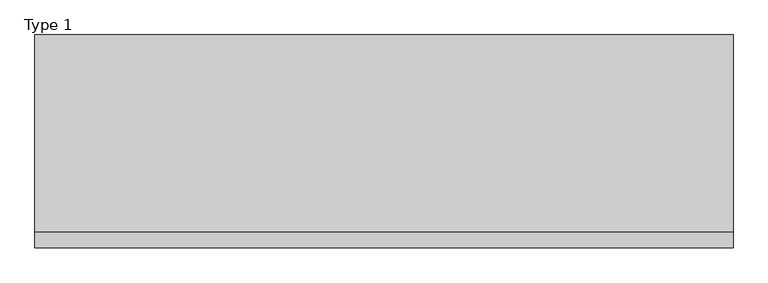
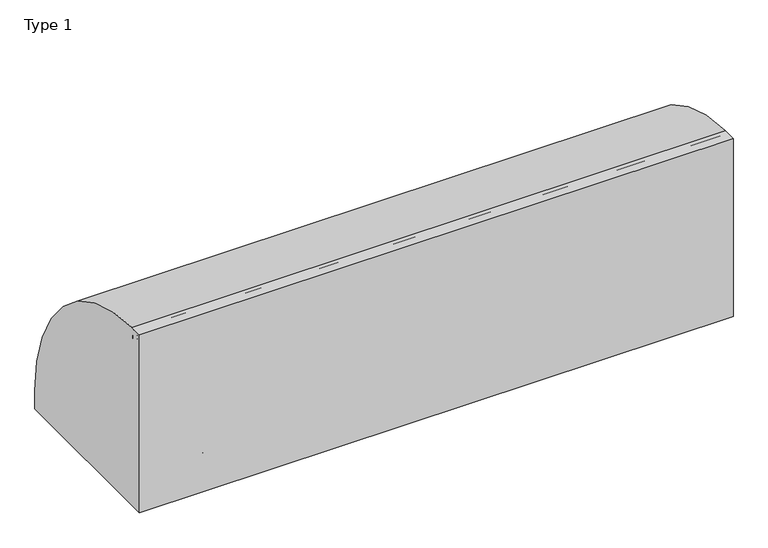
"""IFC4 building model written with IfcOpenShell, lengths in millimetres: railing geometry, Type 1."""

from ifc_helpers import new_model, si_unit, point, frame, frame_2d, origin, origin_with_axes, place, context, project, spatial, polyline, circle_curve, trimmed, segment, composite_curve, outline, extrude, source, transform, mapped, element, save
from ifc_brep_helpers import plane_surface, cylinder_surface, revolved_surface, advanced_brep


def type_1_b100555a(model_context):
    return source(origin(), model_context, "Body", "SolidModel", [
        extrude(outline(composite_curve([segment(polyline([(-209.2, 1050.0), (-132.6546144, 1050.0)]), True, "CONTINUOUS"), segment(trimmed(circle_curve(frame_2d((-139.8273072, 108.0)), 942.0273072), [point((-132.6546144, 1050.0))], [point((802.2, 108.0))], False, "CARTESIAN"), True, "CONTINUOUS"), segment(polyline([(802.2, 108.0), (802.2, 0.0), (-209.2, 0.0), (-209.2, 1050.0)]), True, "CONTINUOUS")], self_intersect=False)), frame((-415.0, 0.0, 0.0), z_axis=(1.0, 0.0, 0.0), x_axis=(0.0, 1.0, 0.0)), (0.0, 0.0, 1.0), 3315.0),
        extrude(outline(composite_curve([segment(trimmed(circle_curve(frame_2d((-131.287505, 538.0)), 20.0), [point((-112.7, 530.617273))], [point((-147.0, 525.6259343))], False, "CARTESIAN"), True, "CONTINUOUS"), segment(polyline([(-147.0, 525.6259343), (-147.0, 550.3740657)]), True, "CONTINUOUS"), segment(trimmed(circle_curve(frame_2d((-131.287505, 538.0)), 20.0), [point((-147.0, 550.3740657))], [point((-112.7, 545.382727))], False, "CARTESIAN"), True, "CONTINUOUS"), segment(polyline([(-112.7, 545.382727), (-116.7, 545.382727), (-116.7, 530.617273), (-112.7, 530.617273)]), True, "CONTINUOUS")], self_intersect=False)), frame((-394.0, 0.0, 0.0), z_axis=(1.0, 0.0, 0.0), x_axis=(0.0, 1.0, 0.0)), (0.0, 0.0, 1.0), 3254.0),
        extrude(outline(composite_curve([segment(trimmed(circle_curve(frame_2d((-166.0, 1025.0)), 25.0), [point((-187.0, 1011.43534))], [point((-145.0, 1011.43534))], False, "CARTESIAN"), True, "CONTINUOUS"), segment(polyline([(-145.0, 1011.43534), (-145.0, 993.0), (-146.0, 993.0), (-146.0, 1008.0), (-186.0, 1008.0), (-186.0, 993.0), (-187.0, 993.0), (-187.0, 1011.43534)]), True, "CONTINUOUS")], self_intersect=False)), frame((-415.0, 0.0, 0.0), z_axis=(1.0, 0.0, 0.0), x_axis=(0.0, 1.0, 0.0)), (0.0, 0.0, 1.0), 3315.0),
        extrude(outline(polyline([(1170.0, -185.0), (1170.0, 0.0), (1215.0, 0.0), (1215.0, -185.0), (1170.0, -185.0)])), origin_with_axes(), (0.0, 0.0, 1.0), 2.5),
        extrude(outline(composite_curve([segment(polyline([(-185.0, 185.0), (-154.0180942, 185.0)]), True, "CONTINUOUS"), segment(trimmed(circle_curve(frame_2d((-154.0180942, 112.1212122)), 72.8787879), [point((-154.0180942, 185.0))], [point((-102.485009, 163.6542973))], False, "CARTESIAN"), True, "CONTINUOUS"), segment(polyline([(-102.485009, 163.6542973), (-4.3933983, 65.5626865)]), True, "CONTINUOUS"), segment(trimmed(circle_curve(frame_2d((-15.0, 54.9560848)), 15.0), [point((-4.3933983, 65.5626865))], [point((0.0, 54.9560848))], False, "CARTESIAN"), True, "CONTINUOUS"), segment(polyline([(0.0, 54.9560848), (0.0, 0.0), (-185.0, 0.0), (-185.0, 185.0)]), True, "CONTINUOUS")], self_intersect=False), holes=[composite_curve([segment(trimmed(circle_curve(frame_2d((-92.5196719, 93.0361975)), 5.6060606), [point((-98.1257325, 93.0361975))], [point((-86.9136113, 93.0361975))], True, "CARTESIAN"), True, "CONTINUOUS"), segment(trimmed(circle_curve(frame_2d((-165.5151515, 93.0361975)), 78.6015402), [point((-86.9136113, 93.0361975))], [point((-165.5151515, 171.6377377))], True, "CARTESIAN"), True, "CONTINUOUS"), segment(trimmed(circle_curve(frame_2d((-165.5151515, 166.0316771)), 5.6060606), [point((-165.5151515, 171.6377377))], [point((-171.1212121, 166.0316771))], True, "CARTESIAN"), True, "CONTINUOUS"), segment(polyline([(-171.1212121, 166.0316771), (-171.1212121, 143.5676849)]), True, "CONTINUOUS"), segment(trimmed(circle_curve(frame_2d((-165.5151515, 143.5676849)), 5.6060606), [point((-171.1212121, 143.5676849))], [point((-159.9090909, 143.5676849))], True, "CARTESIAN"), True, "CONTINUOUS"), segment(polyline([(-159.9090909, 143.5676849), (-159.9090909, 157.7293747)]), True, "CONTINUOUS"), segment(trimmed(circle_curve(frame_2d((-157.6849895, 157.7293747)), 2.2241014), [point((-159.9090909, 157.7293747))], [point((-157.417745, 159.9373619))], False, "CARTESIAN"), True, "CONTINUOUS"), segment(trimmed(circle_curve(frame_2d((-165.5151515, 93.0361975)), 67.389419), [point((-157.417745, 159.9373619))], [point((-98.1257325, 93.0361975))], False, "CARTESIAN"), True, "CONTINUOUS")], self_intersect=False)]), frame((1215.0, 0.0, 0.0), z_axis=(1.0, 0.0, 0.0), x_axis=(0.0, 1.0, 0.0)), (0.0, 0.0, 1.0), 3.0),
        advanced_brep(
        [(1282.0, -185.0, 185.0), (1282.0, -154.0180942, 185.0), (1282.0, -102.485009, 163.6542973), (1282.0, -4.3933983, 65.5626865), (1282.0, 0.0, 54.9560848), (1282.0, 0.0, 0.0), (1282.0, -185.0, 0.0), (1282.0, -185.0, 100.9768515), (1282.0, -98.1257325, 93.0361975), (1282.0, -86.9136113, 93.0361975), (1282.0, -165.5151515, 171.6377377), (1282.0, -171.1212121, 166.0316771), (1282.0, -171.1212121, 143.5676849), (1282.0, -159.9090909, 143.5676849), (1282.0, -159.9090909, 157.7293747), (1282.0, -157.417745, 159.9373619), (1285.0, 0.0, 54.9560848), (1285.0, -4.3933983, 65.5626865), (1285.0, -102.485009, 163.6542973), (1285.0, -154.0180942, 185.0), (1285.0, -188.0, 185.0), (1285.0, -188.0, 100.9768515), (1285.0, -185.0, 100.9768515), (1285.0, -185.0, 2.5), (1285.0, 0.0, 2.5), (1285.0, -98.1257325, 93.0361975), (1285.0, -157.417745, 159.9373619), (1285.0, -159.9090909, 157.7293747), (1285.0, -159.9090909, 143.5676849), (1285.0, -171.1212121, 143.5676849), (1285.0, -171.1212121, 166.0316771), (1285.0, -165.5151515, 171.6377377), (1285.0, -86.9136113, 93.0361975), (1215.0, -185.0, 185.0), (1215.0, -188.0, 185.0), (1330.0, 0.0, 2.5), (1330.0, 0.0, 0.0), (1330.0, -185.0, 0.0), (1330.0, -185.0, 2.5), (1215.0, -188.0, 100.9768515), (1215.0, -185.0, 100.9768515)],
        [
            (0, 1),
            (1, 2, circle_curve(frame((1282.0, -154.0180942, 112.1212122), z_axis=(-1.0, 0.0, 0.0), x_axis=(0.0, -1.0, 0.0)), 72.8787879)),
            (2, 3),
            (3, 4, circle_curve(frame((1282.0, -15.0, 54.9560848), z_axis=(-1.0, 0.0, 0.0), x_axis=(0.0, -1.0, 0.0)), 15.0)),
            (4, 5),
            (5, 6),
            (6, 7),
            (7, 0),
            (8, 9, circle_curve(frame((1282.0, -92.5196719, 93.0361975), z_axis=(1.0, 0.0, 0.0), x_axis=(0.0, -1.0, 0.0)), 5.6060606)),
            (9, 10, circle_curve(frame((1282.0, -165.5151515, 93.0361975), z_axis=(1.0, 0.0, 0.0), x_axis=(0.0, -1.0, 0.0)), 78.6015402)),
            (10, 11, circle_curve(frame((1282.0, -165.5151515, 166.0316771), z_axis=(1.0, 0.0, 0.0), x_axis=(0.0, -1.0, 0.0)), 5.6060606)),
            (11, 12),
            (12, 13, circle_curve(frame((1282.0, -165.5151515, 143.5676849), z_axis=(1.0, 0.0, 0.0), x_axis=(0.0, -1.0, 0.0)), 5.6060606)),
            (13, 14),
            (14, 15, circle_curve(frame((1282.0, -157.6849895, 157.7293747), z_axis=(-1.0, 0.0, 0.0), x_axis=(0.0, -1.0, 0.0)), 2.2241014)),
            (15, 8, circle_curve(frame((1282.0, -165.5151515, 93.0361975), z_axis=(-1.0, 0.0, 0.0), x_axis=(0.0, -1.0, 0.0)), 67.389419)),
            (16, 17, circle_curve(frame((1285.0, -15.0, 54.9560848), z_axis=(1.0, 0.0, 0.0), x_axis=(0.0, -1.0, 0.0)), 15.0)),
            (17, 18),
            (18, 19, circle_curve(frame((1285.0, -154.0180942, 112.1212122), z_axis=(1.0, 0.0, 0.0), x_axis=(0.0, -1.0, 0.0)), 72.8787879)),
            (19, 20),
            (20, 21),
            (21, 22),
            (22, 23),
            (23, 24),
            (24, 16),
            (25, 26, circle_curve(frame((1285.0, -165.5151515, 93.0361975), z_axis=(1.0, 0.0, 0.0), x_axis=(0.0, -1.0, 0.0)), 67.389419)),
            (26, 27, circle_curve(frame((1285.0, -157.6849895, 157.7293747), z_axis=(1.0, 0.0, 0.0), x_axis=(0.0, -1.0, 0.0)), 2.2241014)),
            (27, 28),
            (28, 29, circle_curve(frame((1285.0, -165.5151515, 143.5676849), z_axis=(-1.0, 0.0, 0.0), x_axis=(0.0, -1.0, 0.0)), 5.6060606)),
            (29, 30),
            (30, 31, circle_curve(frame((1285.0, -165.5151515, 166.0316771), z_axis=(-1.0, 0.0, 0.0), x_axis=(0.0, -1.0, 0.0)), 5.6060606)),
            (31, 32, circle_curve(frame((1285.0, -165.5151515, 93.0361975), z_axis=(-1.0, 0.0, 0.0), x_axis=(0.0, -1.0, 0.0)), 78.6015402)),
            (32, 25, circle_curve(frame((1285.0, -92.5196719, 93.0361975), z_axis=(-1.0, 0.0, 0.0), x_axis=(0.0, -1.0, 0.0)), 5.6060606)),
            (0, 33),
            (33, 34),
            (34, 20),
            (19, 1),
            (18, 2),
            (17, 3),
            (16, 4),
            (24, 35),
            (35, 36),
            (36, 5),
            (36, 37),
            (37, 6),
            (37, 38),
            (38, 23),
            (22, 7),
            (8, 25),
            (32, 9),
            (31, 10),
            (30, 11),
            (15, 26),
            (29, 12),
            (28, 13),
            (27, 14),
            (34, 39),
            (39, 21),
            (40, 33),
            (7, 40),
            (40, 39),
            (38, 35),
        ],
        [
            plane_surface(frame((1282.0, -183.2270223, 185.0), z_axis=(-1.0, 0.0, 0.0), x_axis=(0.0, 1.0, 0.0))),
            plane_surface(frame((1285.0, -183.2270223, 185.0), z_axis=(1.0, 0.0, 0.0), x_axis=(0.0, -1.0, 0.0))),
            plane_surface(frame((1282.0, -185.0, 185.0), z_axis=(0.0, 0.0, 1.0), x_axis=(1.0, 0.0, 0.0))),
            cylinder_surface(frame((1285.0, -154.0180942, 112.1212122), z_axis=(-1.0, 0.0, 0.0), x_axis=(0.0, -1.0, 0.0)), 72.8787879),
            plane_surface(frame((1282.0, -102.485009, 163.6542973), z_axis=(0.0, 0.7071067811865421, 0.707106781186553), x_axis=(1.0, 0.0, 0.0))),
            cylinder_surface(frame((1285.0, -15.0, 54.9560848), z_axis=(-1.0, 0.0, 0.0), x_axis=(0.0, -1.0, 0.0)), 15.0),
            plane_surface(frame((1282.0, 0.0, 54.9560848), z_axis=(0.0, 1.0, 0.0), x_axis=(1.0, 0.0, 0.0))),
            plane_surface(frame((1282.0, 0.0, 0.0), z_axis=(0.0, 0.0, -1.0), x_axis=(1.0, 0.0, 0.0))),
            plane_surface(frame((1282.0, -185.0, 0.0), z_axis=(0.0, -1.0, 0.0), x_axis=(1.0, 0.0, 0.0))),
            revolved_surface(polyline([(1285.0, -98.12573250000001, 93.0361975), (1282.0, -98.12573250000001, 93.0361975)]), (1285.0, -92.5196719, 93.0361975), (1.0, 0.0, 0.0)),
            revolved_surface(polyline([(1285.0, -244.1166917, 93.0361975), (1282.0, -244.1166917, 93.0361975)]), (1285.0, -165.5151515, 93.0361975), (1.0, 0.0, 0.0)),
            revolved_surface(polyline([(1285.0, -171.1212121, 166.0316771), (1282.0, -171.1212121, 166.0316771)]), (1285.0, -165.5151515, 166.0316771), (1.0, 0.0, 0.0)),
            cylinder_surface(frame((1285.0, -165.5151515, 93.0361975), z_axis=(-1.0, 0.0, 0.0), x_axis=(0.0, -1.0, 0.0)), 67.389419),
            plane_surface(frame((1282.0, -171.1212121, 166.0316771), z_axis=(0.0, 1.0, 0.0), x_axis=(1.0, 0.0, 0.0))),
            revolved_surface(polyline([(1285.0, -171.1212121, 143.5676849), (1282.0, -171.1212121, 143.5676849)]), (1285.0, -165.5151515, 143.5676849), (1.0, 0.0, 0.0)),
            plane_surface(frame((1282.0, -159.9090909, 143.5676849), z_axis=(0.0, -1.0, 0.0), x_axis=(1.0, 0.0, 0.0))),
            cylinder_surface(frame((1285.0, -157.6849895, 157.7293747), z_axis=(-1.0, 0.0, 0.0), x_axis=(0.0, -1.0, 0.0)), 2.2241014),
            plane_surface(frame((1215.0, -188.0, 185.0), z_axis=(0.0, -1.0, 0.0), x_axis=(-1.0, 0.0, 0.0))),
            plane_surface(frame((1215.0, -185.0, 185.0), z_axis=(0.0, 1.0, 0.0), x_axis=(1.0, 0.0, 0.0))),
            plane_surface(frame((1215.0, -188.0, 185.0), z_axis=(-1.0, 0.0, 0.0), x_axis=(0.0, 1.0, 0.0))),
            plane_surface(frame((1215.0, -188.0, 100.9768515), z_axis=(0.0, 0.0, -1.0), x_axis=(0.0, 1.0, 0.0))),
            plane_surface(frame((1330.0, -185.0, 2.5), z_axis=(0.0, 0.0, 1.0), x_axis=(0.0, 1.0, 0.0))),
            plane_surface(frame((1330.0, -185.0, 2.5), z_axis=(1.0, 0.0, 0.0), x_axis=(0.0, 0.0, -1.0))),
        ],
        [
            (0, [[1, 2, 3, 4, 5, 6, 7, 8], [9, 10, 11, 12, 13, 14, 15, 16]]),
            (1, [[17, 18, 19, 20, 21, 22, 23, 24, 25], [26, 27, 28, 29, 30, 31, 32, 33]]),
            (2, [[-1, 34, 35, 36, -20, 37]]),
            (3, [[-2, -37, -19, 38]]),
            (4, [[-3, -38, -18, 39]]),
            (5, [[-4, -39, -17, 40]]),
            (6, [[-5, -40, -25, 41, 42, 43]]),
            (7, [[-6, -43, 44, 45]]),
            (8, [[-45, 46, 47, -23, 48, -7]]),
            (9, [[-9, 49, -33, 50]]),
            (10, [[-10, -50, -32, 51]]),
            (11, [[-11, -51, -31, 52]]),
            (12, [[-16, 53, -26, -49]]),
            (13, [[-12, -52, -30, 54]]),
            (14, [[-13, -54, -29, 55]]),
            (15, [[-14, -55, -28, 56]]),
            (16, [[-15, -56, -27, -53]]),
            (17, [[-36, 57, 58, -21]]),
            (18, [[59, -34, -8, 60]]),
            (19, [[-57, -35, -59, 61]]),
            (20, [[-58, -61, -60, -48, -22]]),
            (21, [[62, -41, -24, -47]]),
            (22, [[-62, -46, -44, -42]]),
        ],
    ),
        extrude(outline(composite_curve([segment(trimmed(circle_curve(frame_2d((1227.0, -180.0)), 5.0), [point((1227.0, -185.0))], [point((1222.0, -180.0))], False, "CARTESIAN"), True, "CONTINUOUS"), segment(polyline([(1222.0, -180.0), (1222.0, -152.0)]), True, "CONTINUOUS"), segment(trimmed(circle_curve(frame_2d((1227.0, -152.0)), 5.0), [point((1222.0, -152.0))], [point((1227.0, -147.0))], False, "CARTESIAN"), True, "CONTINUOUS"), segment(polyline([(1227.0, -147.0), (1273.0, -147.0)]), True, "CONTINUOUS"), segment(trimmed(circle_curve(frame_2d((1273.0, -152.0)), 5.0), [point((1273.0, -147.0))], [point((1278.0, -152.0))], False, "CARTESIAN"), True, "CONTINUOUS"), segment(polyline([(1278.0, -152.0), (1278.0, -180.0)]), True, "CONTINUOUS"), segment(trimmed(circle_curve(frame_2d((1273.0, -180.0)), 5.0), [point((1278.0, -180.0))], [point((1273.0, -185.0))], False, "CARTESIAN"), True, "CONTINUOUS"), segment(polyline([(1273.0, -185.0), (1227.0, -185.0)]), True, "CONTINUOUS")], self_intersect=False)), frame((0.0, 0.0, 43.0), z_axis=(0.0, 0.0, 1.0), x_axis=(1.0, 0.0, 0.0)), (0.0, 0.0, 1.0), 965.0),
        extrude(outline(polyline([(2392.0, -185.0), (2392.0, 0.0), (2437.0, 0.0), (2437.0, -185.0), (2392.0, -185.0)])), origin_with_axes(), (0.0, 0.0, 1.0), 2.5),
        extrude(outline(composite_curve([segment(polyline([(-185.0, 185.0), (-154.0180942, 185.0)]), True, "CONTINUOUS"), segment(trimmed(circle_curve(frame_2d((-154.0180942, 112.1212122)), 72.8787879), [point((-154.0180942, 185.0))], [point((-102.485009, 163.6542973))], False, "CARTESIAN"), True, "CONTINUOUS"), segment(polyline([(-102.485009, 163.6542973), (-4.3933983, 65.5626865)]), True, "CONTINUOUS"), segment(trimmed(circle_curve(frame_2d((-15.0, 54.9560848)), 15.0), [point((-4.3933983, 65.5626865))], [point((0.0, 54.9560848))], False, "CARTESIAN"), True, "CONTINUOUS"), segment(polyline([(0.0, 54.9560848), (0.0, 0.0), (-185.0, 0.0), (-185.0, 185.0)]), True, "CONTINUOUS")], self_intersect=False), holes=[composite_curve([segment(trimmed(circle_curve(frame_2d((-92.5196719, 93.0361975)), 5.6060606), [point((-98.1257325, 93.0361975))], [point((-86.9136113, 93.0361975))], True, "CARTESIAN"), True, "CONTINUOUS"), segment(trimmed(circle_curve(frame_2d((-165.5151515, 93.0361975)), 78.6015402), [point((-86.9136113, 93.0361975))], [point((-165.5151515, 171.6377377))], True, "CARTESIAN"), True, "CONTINUOUS"), segment(trimmed(circle_curve(frame_2d((-165.5151515, 166.0316771)), 5.6060606), [point((-165.5151515, 171.6377377))], [point((-171.1212121, 166.0316771))], True, "CARTESIAN"), True, "CONTINUOUS"), segment(polyline([(-171.1212121, 166.0316771), (-171.1212121, 143.5676849)]), True, "CONTINUOUS"), segment(trimmed(circle_curve(frame_2d((-165.5151515, 143.5676849)), 5.6060606), [point((-171.1212121, 143.5676849))], [point((-159.9090909, 143.5676849))], True, "CARTESIAN"), True, "CONTINUOUS"), segment(polyline([(-159.9090909, 143.5676849), (-159.9090909, 157.7293747)]), True, "CONTINUOUS"), segment(trimmed(circle_curve(frame_2d((-157.6849895, 157.7293747)), 2.2241014), [point((-159.9090909, 157.7293747))], [point((-157.417745, 159.9373619))], False, "CARTESIAN"), True, "CONTINUOUS"), segment(trimmed(circle_curve(frame_2d((-165.5151515, 93.0361975)), 67.389419), [point((-157.417745, 159.9373619))], [point((-98.1257325, 93.0361975))], False, "CARTESIAN"), True, "CONTINUOUS")], self_intersect=False)]), frame((2437.0, 0.0, 0.0), z_axis=(1.0, 0.0, 0.0), x_axis=(0.0, 1.0, 0.0)), (0.0, 0.0, 1.0), 3.0),
        advanced_brep(
        [(2504.0, -185.0, 185.0), (2504.0, -154.0180942, 185.0), (2504.0, -102.485009, 163.6542973), (2504.0, -4.3933983, 65.5626865), (2504.0, 0.0, 54.9560848), (2504.0, 0.0, 0.0), (2504.0, -185.0, 0.0), (2504.0, -185.0, 100.9768515), (2504.0, -98.1257325, 93.0361975), (2504.0, -86.9136113, 93.0361975), (2504.0, -165.5151515, 171.6377377), (2504.0, -171.1212121, 166.0316771), (2504.0, -171.1212121, 143.5676849), (2504.0, -159.9090909, 143.5676849), (2504.0, -159.9090909, 157.7293747), (2504.0, -157.417745, 159.9373619), (2507.0, 0.0, 54.9560848), (2507.0, -4.3933983, 65.5626865), (2507.0, -102.485009, 163.6542973), (2507.0, -154.0180942, 185.0), (2507.0, -188.0, 185.0), (2507.0, -188.0, 100.9768515), (2507.0, -185.0, 100.9768515), (2507.0, -185.0, 2.5), (2507.0, 0.0, 2.5), (2507.0, -98.1257325, 93.0361975), (2507.0, -157.417745, 159.9373619), (2507.0, -159.9090909, 157.7293747), (2507.0, -159.9090909, 143.5676849), (2507.0, -171.1212121, 143.5676849), (2507.0, -171.1212121, 166.0316771), (2507.0, -165.5151515, 171.6377377), (2507.0, -86.9136113, 93.0361975), (2437.0, -185.0, 185.0), (2437.0, -188.0, 185.0), (2552.0, 0.0, 2.5), (2552.0, 0.0, 0.0), (2552.0, -185.0, 0.0), (2552.0, -185.0, 2.5), (2437.0, -188.0, 100.9768515), (2437.0, -185.0, 100.9768515)],
        [
            (0, 1),
            (1, 2, circle_curve(frame((2504.0, -154.0180942, 112.1212122), z_axis=(-1.0, 0.0, 0.0), x_axis=(0.0, -1.0, 0.0)), 72.8787879)),
            (2, 3),
            (3, 4, circle_curve(frame((2504.0, -15.0, 54.9560848), z_axis=(-1.0, 0.0, 0.0), x_axis=(0.0, -1.0, 0.0)), 15.0)),
            (4, 5),
            (5, 6),
            (6, 7),
            (7, 0),
            (8, 9, circle_curve(frame((2504.0, -92.5196719, 93.0361975), z_axis=(1.0, 0.0, 0.0), x_axis=(0.0, -1.0, 0.0)), 5.6060606)),
            (9, 10, circle_curve(frame((2504.0, -165.5151515, 93.0361975), z_axis=(1.0, 0.0, 0.0), x_axis=(0.0, -1.0, 0.0)), 78.6015402)),
            (10, 11, circle_curve(frame((2504.0, -165.5151515, 166.0316771), z_axis=(1.0, 0.0, 0.0), x_axis=(0.0, -1.0, 0.0)), 5.6060606)),
            (11, 12),
            (12, 13, circle_curve(frame((2504.0, -165.5151515, 143.5676849), z_axis=(1.0, 0.0, 0.0), x_axis=(0.0, -1.0, 0.0)), 5.6060606)),
            (13, 14),
            (14, 15, circle_curve(frame((2504.0, -157.6849895, 157.7293747), z_axis=(-1.0, 0.0, 0.0), x_axis=(0.0, -1.0, 0.0)), 2.2241014)),
            (15, 8, circle_curve(frame((2504.0, -165.5151515, 93.0361975), z_axis=(-1.0, 0.0, 0.0), x_axis=(0.0, -1.0, 0.0)), 67.389419)),
            (16, 17, circle_curve(frame((2507.0, -15.0, 54.9560848), z_axis=(1.0, 0.0, 0.0), x_axis=(0.0, -1.0, 0.0)), 15.0)),
            (17, 18),
            (18, 19, circle_curve(frame((2507.0, -154.0180942, 112.1212122), z_axis=(1.0, 0.0, 0.0), x_axis=(0.0, -1.0, 0.0)), 72.8787879)),
            (19, 20),
            (20, 21),
            (21, 22),
            (22, 23),
            (23, 24),
            (24, 16),
            (25, 26, circle_curve(frame((2507.0, -165.5151515, 93.0361975), z_axis=(1.0, 0.0, 0.0), x_axis=(0.0, -1.0, 0.0)), 67.389419)),
            (26, 27, circle_curve(frame((2507.0, -157.6849895, 157.7293747), z_axis=(1.0, 0.0, 0.0), x_axis=(0.0, -1.0, 0.0)), 2.2241014)),
            (27, 28),
            (28, 29, circle_curve(frame((2507.0, -165.5151515, 143.5676849), z_axis=(-1.0, 0.0, 0.0), x_axis=(0.0, -1.0, 0.0)), 5.6060606)),
            (29, 30),
            (30, 31, circle_curve(frame((2507.0, -165.5151515, 166.0316771), z_axis=(-1.0, 0.0, 0.0), x_axis=(0.0, -1.0, 0.0)), 5.6060606)),
            (31, 32, circle_curve(frame((2507.0, -165.5151515, 93.0361975), z_axis=(-1.0, 0.0, 0.0), x_axis=(0.0, -1.0, 0.0)), 78.6015402)),
            (32, 25, circle_curve(frame((2507.0, -92.5196719, 93.0361975), z_axis=(-1.0, 0.0, 0.0), x_axis=(0.0, -1.0, 0.0)), 5.6060606)),
            (0, 33),
            (33, 34),
            (34, 20),
            (19, 1),
            (18, 2),
            (17, 3),
            (16, 4),
            (24, 35),
            (35, 36),
            (36, 5),
            (36, 37),
            (37, 6),
            (37, 38),
            (38, 23),
            (22, 7),
            (8, 25),
            (32, 9),
            (31, 10),
            (30, 11),
            (15, 26),
            (29, 12),
            (28, 13),
            (27, 14),
            (34, 39),
            (39, 21),
            (40, 33),
            (7, 40),
            (40, 39),
            (38, 35),
        ],
        [
            plane_surface(frame((2504.0, -183.2270223, 185.0), z_axis=(-1.0, 0.0, 0.0), x_axis=(0.0, 1.0, 0.0))),
            plane_surface(frame((2507.0, -183.2270223, 185.0), z_axis=(1.0, 0.0, 0.0), x_axis=(0.0, -1.0, 0.0))),
            plane_surface(frame((2504.0, -185.0, 185.0), z_axis=(0.0, 0.0, 1.0), x_axis=(1.0, 0.0, 0.0))),
            cylinder_surface(frame((2507.0, -154.0180942, 112.1212122), z_axis=(-1.0, 0.0, 0.0), x_axis=(0.0, -1.0, 0.0)), 72.8787879),
            plane_surface(frame((2504.0, -102.485009, 163.6542973), z_axis=(0.0, 0.7071067811865421, 0.707106781186553), x_axis=(1.0, 0.0, 0.0))),
            cylinder_surface(frame((2507.0, -15.0, 54.9560848), z_axis=(-1.0, 0.0, 0.0), x_axis=(0.0, -1.0, 0.0)), 15.0),
            plane_surface(frame((2504.0, 0.0, 54.9560848), z_axis=(0.0, 1.0, 0.0), x_axis=(1.0, 0.0, 0.0))),
            plane_surface(frame((2504.0, 0.0, 0.0), z_axis=(0.0, 0.0, -1.0), x_axis=(1.0, 0.0, 0.0))),
            plane_surface(frame((2504.0, -185.0, 0.0), z_axis=(0.0, -1.0, 0.0), x_axis=(1.0, 0.0, 0.0))),
            revolved_surface(polyline([(2507.0, -98.12573250000001, 93.0361975), (2504.0, -98.12573250000001, 93.0361975)]), (2507.0, -92.5196719, 93.0361975), (1.0, 0.0, 0.0)),
            revolved_surface(polyline([(2507.0, -244.1166917, 93.0361975), (2504.0, -244.1166917, 93.0361975)]), (2507.0, -165.5151515, 93.0361975), (1.0, 0.0, 0.0)),
            revolved_surface(polyline([(2507.0, -171.1212121, 166.0316771), (2504.0, -171.1212121, 166.0316771)]), (2507.0, -165.5151515, 166.0316771), (1.0, 0.0, 0.0)),
            cylinder_surface(frame((2507.0, -165.5151515, 93.0361975), z_axis=(-1.0, 0.0, 0.0), x_axis=(0.0, -1.0, 0.0)), 67.389419),
            plane_surface(frame((2504.0, -171.1212121, 166.0316771), z_axis=(0.0, 1.0, 0.0), x_axis=(1.0, 0.0, 0.0))),
            revolved_surface(polyline([(2507.0, -171.1212121, 143.5676849), (2504.0, -171.1212121, 143.5676849)]), (2507.0, -165.5151515, 143.5676849), (1.0, 0.0, 0.0)),
            plane_surface(frame((2504.0, -159.9090909, 143.5676849), z_axis=(0.0, -1.0, 0.0), x_axis=(1.0, 0.0, 0.0))),
            cylinder_surface(frame((2507.0, -157.6849895, 157.7293747), z_axis=(-1.0, 0.0, 0.0), x_axis=(0.0, -1.0, 0.0)), 2.2241014),
            plane_surface(frame((2437.0, -188.0, 185.0), z_axis=(0.0, -1.0, 0.0), x_axis=(-1.0, 0.0, 0.0))),
            plane_surface(frame((2437.0, -185.0, 185.0), z_axis=(0.0, 1.0, 0.0), x_axis=(1.0, 0.0, 0.0))),
            plane_surface(frame((2437.0, -188.0, 185.0), z_axis=(-1.0, 0.0, 0.0), x_axis=(0.0, 1.0, 0.0))),
            plane_surface(frame((2437.0, -188.0, 100.9768515), z_axis=(0.0, 0.0, -1.0), x_axis=(0.0, 1.0, 0.0))),
            plane_surface(frame((2552.0, -185.0, 2.5), z_axis=(0.0, 0.0, 1.0), x_axis=(0.0, 1.0, 0.0))),
            plane_surface(frame((2552.0, -185.0, 2.5), z_axis=(1.0, 0.0, 0.0), x_axis=(0.0, 0.0, -1.0))),
        ],
        [
            (0, [[1, 2, 3, 4, 5, 6, 7, 8], [9, 10, 11, 12, 13, 14, 15, 16]]),
            (1, [[17, 18, 19, 20, 21, 22, 23, 24, 25], [26, 27, 28, 29, 30, 31, 32, 33]]),
            (2, [[-1, 34, 35, 36, -20, 37]]),
            (3, [[-2, -37, -19, 38]]),
            (4, [[-3, -38, -18, 39]]),
            (5, [[-4, -39, -17, 40]]),
            (6, [[-5, -40, -25, 41, 42, 43]]),
            (7, [[-6, -43, 44, 45]]),
            (8, [[-45, 46, 47, -23, 48, -7]]),
            (9, [[-9, 49, -33, 50]]),
            (10, [[-10, -50, -32, 51]]),
            (11, [[-11, -51, -31, 52]]),
            (12, [[-16, 53, -26, -49]]),
            (13, [[-12, -52, -30, 54]]),
            (14, [[-13, -54, -29, 55]]),
            (15, [[-14, -55, -28, 56]]),
            (16, [[-15, -56, -27, -53]]),
            (17, [[-36, 57, 58, -21]]),
            (18, [[59, -34, -8, 60]]),
            (19, [[-57, -35, -59, 61]]),
            (20, [[-58, -61, -60, -48, -22]]),
            (21, [[62, -41, -24, -47]]),
            (22, [[-62, -46, -44, -42]]),
        ],
    ),
        extrude(outline(composite_curve([segment(trimmed(circle_curve(frame_2d((2449.0, -180.0)), 5.0), [point((2449.0, -185.0))], [point((2444.0, -180.0))], False, "CARTESIAN"), True, "CONTINUOUS"), segment(polyline([(2444.0, -180.0), (2444.0, -152.0)]), True, "CONTINUOUS"), segment(trimmed(circle_curve(frame_2d((2449.0, -152.0)), 5.0), [point((2444.0, -152.0))], [point((2449.0, -147.0))], False, "CARTESIAN"), True, "CONTINUOUS"), segment(polyline([(2449.0, -147.0), (2495.0, -147.0)]), True, "CONTINUOUS"), segment(trimmed(circle_curve(frame_2d((2495.0, -152.0)), 5.0), [point((2495.0, -147.0))], [point((2500.0, -152.0))], False, "CARTESIAN"), True, "CONTINUOUS"), segment(polyline([(2500.0, -152.0), (2500.0, -180.0)]), True, "CONTINUOUS"), segment(trimmed(circle_curve(frame_2d((2495.0, -180.0)), 5.0), [point((2500.0, -180.0))], [point((2495.0, -185.0))], False, "CARTESIAN"), True, "CONTINUOUS"), segment(polyline([(2495.0, -185.0), (2449.0, -185.0)]), True, "CONTINUOUS")], self_intersect=False)), frame((0.0, 0.0, 43.0), z_axis=(0.0, 0.0, 1.0), x_axis=(1.0, 0.0, 0.0)), (0.0, 0.0, 1.0), 965.0),
        extrude(outline(polyline([(-52.0, -185.0), (-52.0, 0.0), (-7.0, 0.0), (-7.0, -185.0), (-52.0, -185.0)])), origin_with_axes(), (0.0, 0.0, 1.0), 2.5),
        extrude(outline(composite_curve([segment(polyline([(-185.0, 185.0), (-154.0180942, 185.0)]), True, "CONTINUOUS"), segment(trimmed(circle_curve(frame_2d((-154.0180942, 112.1212121)), 72.8787879), [point((-154.0180942, 185.0))], [point((-102.485009, 163.6542972))], False, "CARTESIAN"), True, "CONTINUOUS"), segment(polyline([(-102.485009, 163.6542972), (-4.3933983, 65.5626865)]), True, "CONTINUOUS"), segment(trimmed(circle_curve(frame_2d((-15.0, 54.9560848)), 15.0), [point((-4.3933983, 65.5626865))], [point((0.0, 54.9560848))], False, "CARTESIAN"), True, "CONTINUOUS"), segment(polyline([(0.0, 54.9560848), (0.0, 0.0), (-185.0, 0.0), (-185.0, 185.0)]), True, "CONTINUOUS")], self_intersect=False), holes=[composite_curve([segment(trimmed(circle_curve(frame_2d((-92.5196719, 93.0361974)), 5.6060606), [point((-98.1257325, 93.0361974))], [point((-86.9136113, 93.0361974))], True, "CARTESIAN"), True, "CONTINUOUS"), segment(trimmed(circle_curve(frame_2d((-165.5151515, 93.0361974)), 78.6015402), [point((-86.9136113, 93.0361974))], [point((-165.5151515, 171.6377376))], True, "CARTESIAN"), True, "CONTINUOUS"), segment(trimmed(circle_curve(frame_2d((-165.5151515, 166.031677)), 5.6060606), [point((-165.5151515, 171.6377376))], [point((-171.1212121, 166.031677))], True, "CARTESIAN"), True, "CONTINUOUS"), segment(polyline([(-171.1212121, 166.031677), (-171.1212121, 143.5676849)]), True, "CONTINUOUS"), segment(trimmed(circle_curve(frame_2d((-165.5151515, 143.5676849)), 5.6060606), [point((-171.1212121, 143.5676849))], [point((-159.9090909, 143.5676849))], True, "CARTESIAN"), True, "CONTINUOUS"), segment(polyline([(-159.9090909, 143.5676849), (-159.9090909, 157.7293746)]), True, "CONTINUOUS"), segment(trimmed(circle_curve(frame_2d((-157.6849895, 157.7293746)), 2.2241014), [point((-159.9090909, 157.7293746))], [point((-157.417745, 159.9373618))], False, "CARTESIAN"), True, "CONTINUOUS"), segment(trimmed(circle_curve(frame_2d((-165.5151515, 93.0361974)), 67.389419), [point((-157.417745, 159.9373618))], [point((-98.1257325, 93.0361974))], False, "CARTESIAN"), True, "CONTINUOUS")], self_intersect=False)]), frame((-7.0, 0.0, 0.0), z_axis=(1.0, 0.0, 0.0), x_axis=(0.0, 1.0, 0.0)), (0.0, 0.0, 1.0), 3.0),
        advanced_brep(
        [(60.0, -185.0, 185.0), (60.0, -154.0180942, 185.0), (60.0, -102.485009, 163.6542972), (60.0, -4.3933983, 65.5626865), (60.0, 0.0, 54.9560848), (60.0, 0.0, 0.0), (60.0, -185.0, 0.0), (60.0, -185.0, 100.9768514), (60.0, -98.1257325, 93.0361974), (60.0, -86.9136113, 93.0361974), (60.0, -165.5151515, 171.6377376), (60.0, -171.1212121, 166.031677), (60.0, -171.1212121, 143.5676849), (60.0, -159.9090909, 143.5676849), (60.0, -159.9090909, 157.7293746), (60.0, -157.417745, 159.9373618), (63.0, 0.0, 54.9560848), (63.0, -4.3933983, 65.5626865), (63.0, -102.485009, 163.6542972), (63.0, -154.0180942, 185.0), (63.0, -188.0, 185.0), (63.0, -188.0, 100.9768514), (63.0, -185.0, 100.9768514), (63.0, -185.0, 2.5), (63.0, 0.0, 2.5), (63.0, -98.1257325, 93.0361974), (63.0, -157.417745, 159.9373618), (63.0, -159.9090909, 157.7293746), (63.0, -159.9090909, 143.5676849), (63.0, -171.1212121, 143.5676849), (63.0, -171.1212121, 166.031677), (63.0, -165.5151515, 171.6377376), (63.0, -86.9136113, 93.0361974), (-7.0, -185.0, 185.0), (-7.0, -188.0, 185.0), (108.0, 0.0, 2.5), (108.0, 0.0, 0.0), (108.0, -185.0, 0.0), (108.0, -185.0, 2.5), (-7.0, -188.0, 100.9768514), (-7.0, -185.0, 100.9768514)],
        [
            (0, 1),
            (1, 2, circle_curve(frame((60.0, -154.0180942, 112.1212121), z_axis=(-1.0, 0.0, 0.0), x_axis=(0.0, -1.0, 0.0)), 72.8787879)),
            (2, 3),
            (3, 4, circle_curve(frame((60.0, -15.0, 54.9560848), z_axis=(-1.0, 0.0, 0.0), x_axis=(0.0, -1.0, 0.0)), 15.0)),
            (4, 5),
            (5, 6),
            (6, 7),
            (7, 0),
            (8, 9, circle_curve(frame((60.0, -92.5196719, 93.0361974), z_axis=(1.0, 0.0, 0.0), x_axis=(0.0, -1.0, 0.0)), 5.6060606)),
            (9, 10, circle_curve(frame((60.0, -165.5151515, 93.0361974), z_axis=(1.0, 0.0, 0.0), x_axis=(0.0, -1.0, 0.0)), 78.6015402)),
            (10, 11, circle_curve(frame((60.0, -165.5151515, 166.031677), z_axis=(1.0, 0.0, 0.0), x_axis=(0.0, -1.0, 0.0)), 5.6060606)),
            (11, 12),
            (12, 13, circle_curve(frame((60.0, -165.5151515, 143.5676849), z_axis=(1.0, 0.0, 0.0), x_axis=(0.0, -1.0, 0.0)), 5.6060606)),
            (13, 14),
            (14, 15, circle_curve(frame((60.0, -157.6849895, 157.7293746), z_axis=(-1.0, 0.0, 0.0), x_axis=(0.0, -1.0, 0.0)), 2.2241014)),
            (15, 8, circle_curve(frame((60.0, -165.5151515, 93.0361974), z_axis=(-1.0, 0.0, 0.0), x_axis=(0.0, -1.0, 0.0)), 67.389419)),
            (16, 17, circle_curve(frame((63.0, -15.0, 54.9560848), z_axis=(1.0, 0.0, 0.0), x_axis=(0.0, -1.0, 0.0)), 15.0)),
            (17, 18),
            (18, 19, circle_curve(frame((63.0, -154.0180942, 112.1212121), z_axis=(1.0, 0.0, 0.0), x_axis=(0.0, -1.0, 0.0)), 72.8787879)),
            (19, 20),
            (20, 21),
            (21, 22),
            (22, 23),
            (23, 24),
            (24, 16),
            (25, 26, circle_curve(frame((63.0, -165.5151515, 93.0361974), z_axis=(1.0, 0.0, 0.0), x_axis=(0.0, -1.0, 0.0)), 67.389419)),
            (26, 27, circle_curve(frame((63.0, -157.6849895, 157.7293746), z_axis=(1.0, 0.0, 0.0), x_axis=(0.0, -1.0, 0.0)), 2.2241014)),
            (27, 28),
            (28, 29, circle_curve(frame((63.0, -165.5151515, 143.5676849), z_axis=(-1.0, 0.0, 0.0), x_axis=(0.0, -1.0, 0.0)), 5.6060606)),
            (29, 30),
            (30, 31, circle_curve(frame((63.0, -165.5151515, 166.031677), z_axis=(-1.0, 0.0, 0.0), x_axis=(0.0, -1.0, 0.0)), 5.6060606)),
            (31, 32, circle_curve(frame((63.0, -165.5151515, 93.0361974), z_axis=(-1.0, 0.0, 0.0), x_axis=(0.0, -1.0, 0.0)), 78.6015402)),
            (32, 25, circle_curve(frame((63.0, -92.5196719, 93.0361974), z_axis=(-1.0, 0.0, 0.0), x_axis=(0.0, -1.0, 0.0)), 5.6060606)),
            (0, 33),
            (33, 34),
            (34, 20),
            (19, 1),
            (18, 2),
            (17, 3),
            (16, 4),
            (24, 35),
            (35, 36),
            (36, 5),
            (36, 37),
            (37, 6),
            (37, 38),
            (38, 23),
            (22, 7),
            (8, 25),
            (32, 9),
            (31, 10),
            (30, 11),
            (15, 26),
            (29, 12),
            (28, 13),
            (27, 14),
            (34, 39),
            (39, 21),
            (40, 33),
            (7, 40),
            (40, 39),
            (38, 35),
        ],
        [
            plane_surface(frame((60.0, -183.2270223, 185.0), z_axis=(-1.0, 0.0, 0.0), x_axis=(0.0, 1.0, 0.0))),
            plane_surface(frame((63.0, -183.2270223, 185.0), z_axis=(1.0, 0.0, 0.0), x_axis=(0.0, -1.0, 0.0))),
            plane_surface(frame((60.0, -185.0, 185.0), z_axis=(0.0, 0.0, 1.0), x_axis=(1.0, 0.0, 0.0))),
            cylinder_surface(frame((63.0, -154.0180942, 112.1212121), z_axis=(-1.0, 0.0, 0.0), x_axis=(0.0, -1.0, 0.0)), 72.8787879),
            plane_surface(frame((60.0, -102.485009, 163.6542972), z_axis=(0.0, 0.7071067811865421, 0.707106781186553), x_axis=(1.0, 0.0, 0.0))),
            cylinder_surface(frame((63.0, -15.0, 54.9560848), z_axis=(-1.0, 0.0, 0.0), x_axis=(0.0, -1.0, 0.0)), 15.0),
            plane_surface(frame((60.0, 0.0, 54.9560848), z_axis=(0.0, 1.0, 0.0), x_axis=(1.0, 0.0, 0.0))),
            plane_surface(frame((60.0, 0.0, 0.0), z_axis=(0.0, 0.0, -1.0), x_axis=(1.0, 0.0, 0.0))),
            plane_surface(frame((60.0, -185.0, 0.0), z_axis=(0.0, -1.0, 0.0), x_axis=(1.0, 0.0, 0.0))),
            revolved_surface(polyline([(63.0, -98.12573250000001, 93.0361974), (60.0, -98.12573250000001, 93.0361974)]), (63.0, -92.5196719, 93.0361974), (1.0, 0.0, 0.0)),
            revolved_surface(polyline([(63.0, -244.1166917, 93.0361974), (60.0, -244.1166917, 93.0361974)]), (63.0, -165.5151515, 93.0361974), (1.0, 0.0, 0.0)),
            revolved_surface(polyline([(63.0, -171.1212121, 166.031677), (60.0, -171.1212121, 166.031677)]), (63.0, -165.5151515, 166.031677), (1.0, 0.0, 0.0)),
            cylinder_surface(frame((63.0, -165.5151515, 93.0361974), z_axis=(-1.0, 0.0, 0.0), x_axis=(0.0, -1.0, 0.0)), 67.389419),
            plane_surface(frame((60.0, -171.1212121, 166.031677), z_axis=(0.0, 1.0, 0.0), x_axis=(1.0, 0.0, 0.0))),
            revolved_surface(polyline([(63.0, -171.1212121, 143.5676849), (60.0, -171.1212121, 143.5676849)]), (63.0, -165.5151515, 143.5676849), (1.0, 0.0, 0.0)),
            plane_surface(frame((60.0, -159.9090909, 143.5676849), z_axis=(0.0, -1.0, 0.0), x_axis=(1.0, 0.0, 0.0))),
            cylinder_surface(frame((63.0, -157.6849895, 157.7293746), z_axis=(-1.0, 0.0, 0.0), x_axis=(0.0, -1.0, 0.0)), 2.2241014),
            plane_surface(frame((-7.0, -188.0, 185.0), z_axis=(0.0, -1.0, 0.0), x_axis=(-1.0, 0.0, 0.0))),
            plane_surface(frame((-7.0, -185.0, 185.0), z_axis=(0.0, 1.0, 0.0), x_axis=(1.0, 0.0, 0.0))),
            plane_surface(frame((-7.0, -188.0, 185.0), z_axis=(-1.0, 0.0, 0.0), x_axis=(0.0, 1.0, 0.0))),
            plane_surface(frame((-7.0, -188.0, 100.9768514), z_axis=(0.0, 0.0, -1.0), x_axis=(0.0, 1.0, 0.0))),
            plane_surface(frame((108.0, -185.0, 2.5), z_axis=(0.0, 0.0, 1.0), x_axis=(0.0, 1.0, 0.0))),
            plane_surface(frame((108.0, -185.0, 2.5), z_axis=(1.0, 0.0, 0.0), x_axis=(0.0, 0.0, -1.0))),
        ],
        [
            (0, [[1, 2, 3, 4, 5, 6, 7, 8], [9, 10, 11, 12, 13, 14, 15, 16]]),
            (1, [[17, 18, 19, 20, 21, 22, 23, 24, 25], [26, 27, 28, 29, 30, 31, 32, 33]]),
            (2, [[-1, 34, 35, 36, -20, 37]]),
            (3, [[-2, -37, -19, 38]]),
            (4, [[-3, -38, -18, 39]]),
            (5, [[-4, -39, -17, 40]]),
            (6, [[-5, -40, -25, 41, 42, 43]]),
            (7, [[-6, -43, 44, 45]]),
            (8, [[-45, 46, 47, -23, 48, -7]]),
            (9, [[-9, 49, -33, 50]]),
            (10, [[-10, -50, -32, 51]]),
            (11, [[-11, -51, -31, 52]]),
            (12, [[-16, 53, -26, -49]]),
            (13, [[-12, -52, -30, 54]]),
            (14, [[-13, -54, -29, 55]]),
            (15, [[-14, -55, -28, 56]]),
            (16, [[-15, -56, -27, -53]]),
            (17, [[-36, 57, 58, -21]]),
            (18, [[59, -34, -8, 60]]),
            (19, [[-57, -35, -59, 61]]),
            (20, [[-58, -61, -60, -48, -22]]),
            (21, [[62, -41, -24, -47]]),
            (22, [[-62, -46, -44, -42]]),
        ],
    ),
        extrude(outline(composite_curve([segment(trimmed(circle_curve(frame_2d((5.0, -180.0)), 5.0), [point((5.0, -185.0))], [point((0.0, -180.0))], False, "CARTESIAN"), True, "CONTINUOUS"), segment(polyline([(0.0, -180.0), (0.0, -152.0)]), True, "CONTINUOUS"), segment(trimmed(circle_curve(frame_2d((5.0, -152.0)), 5.0), [point((0.0, -152.0))], [point((5.0, -147.0))], False, "CARTESIAN"), True, "CONTINUOUS"), segment(polyline([(5.0, -147.0), (51.0, -147.0)]), True, "CONTINUOUS"), segment(trimmed(circle_curve(frame_2d((51.0, -152.0)), 5.0), [point((51.0, -147.0))], [point((56.0, -152.0))], False, "CARTESIAN"), True, "CONTINUOUS"), segment(polyline([(56.0, -152.0), (56.0, -180.0)]), True, "CONTINUOUS"), segment(trimmed(circle_curve(frame_2d((51.0, -180.0)), 5.0), [point((56.0, -180.0))], [point((51.0, -185.0))], False, "CARTESIAN"), True, "CONTINUOUS"), segment(polyline([(51.0, -185.0), (5.0, -185.0)]), True, "CONTINUOUS")], self_intersect=False)), frame((0.0, 0.0, 43.0), z_axis=(0.0, 0.0, 1.0), x_axis=(1.0, 0.0, 0.0)), (0.0, 0.0, 1.0), 965.0),
    ])


if __name__ == "__main__":
    model = new_model("IFC4")
    model_context = context("Model", 3, world=origin())
    ifc_project = project(units=[si_unit("LENGTHUNIT", "METRE", prefix="MILLI")], contexts=[model_context])
    site = spatial("IfcSite", under=ifc_project)
    building = spatial("IfcBuilding", under=site)
    placement = place(None, origin())
    type_1_shape = type_1_b100555a(model_context)
    element("IfcRailing", 1, ObjectType="Type 1", at=placement, inside=building, context=model_context, shape_type="MappedRepresentation", body=[
        mapped(type_1_shape, transform((0.0, 0.0, 0.0), x_axis=(1.0, 0.0, 0.0), y_axis=(0.0, 1.0, 0.0), z_axis=(0.0, 0.0, 1.0))),
    ])
    save(model, "model.ifc")
